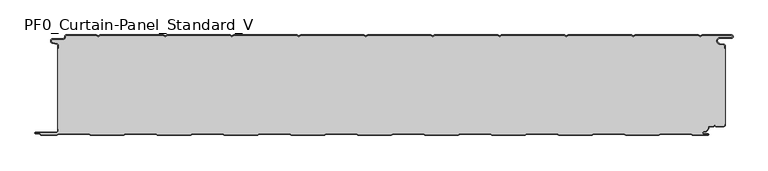
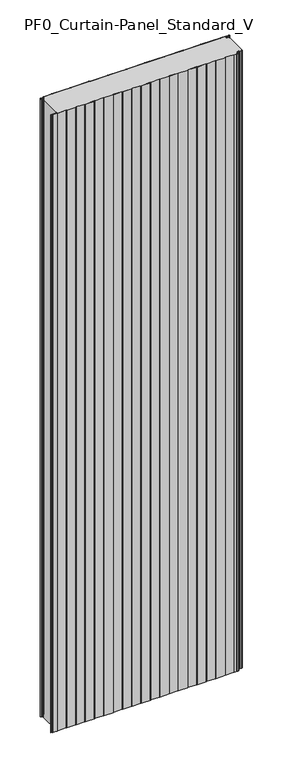
"""IFC4 building model written with IfcOpenShell, lengths in millimetres: plate geometry, PF0_Curtain-Panel_Standard_V."""

from ifc_helpers import new_model, si_unit, point, frame_2d, origin, origin_with_axes, place, context, project, spatial, polyline, circle_curve, trimmed, segment, composite_curve, outline, extrude, source, transform, mapped, element, save


def pf0_curtain_panel_standard_v_242ef166(model_context):
    return source(origin(), model_context, "Body", "SweptSolid", [
        extrude(outline(composite_curve([segment(trimmed(circle_curve(frame_2d((-502.0, -15.878557)), 2.0), [point((-500.0, -15.878557))], [point((-501.5500978, -13.9298169))], True, "CARTESIAN"), True, "CONTINUOUS"), segment(polyline([(-501.5500978, -13.9298169), (-507.7098239, -12.507732)]), True, "CONTINUOUS"), segment(trimmed(circle_curve(frame_2d((-506.9, -9.0)), 3.6), [point((-507.7098239, -12.507732))], [point((-506.9, -5.4))], False, "CARTESIAN"), True, "CONTINUOUS"), segment(polyline([(-506.9, -5.4), (-491.4, -5.4)]), True, "CONTINUOUS"), segment(trimmed(circle_curve(frame_2d((-491.4, -3.4)), 2.0), [point((-491.4, -5.4))], [point((-489.4, -3.4))], True, "CARTESIAN"), True, "CONTINUOUS"), segment(polyline([(-489.4, -3.4), (-489.4, -2.0)]), True, "CONTINUOUS"), segment(trimmed(circle_curve(frame_2d((-487.4, -2.0)), 2.0), [point((-489.4, -2.0))], [point((-487.4, 0.0))], False, "CARTESIAN"), True, "CONTINUOUS"), segment(polyline([(-487.4, 0.0), (-442.0999995, 0.0), (-439.4, -1.5588455), (-436.7000005, 0.0), (-342.0999995, 0.0), (-339.4, -1.5588455), (-336.7000005, 0.0), (-242.0999995, 0.0), (-239.4, -1.5588455), (-236.7000005, 0.0), (-142.0999995, 0.0), (-139.4, -1.5588455), (-136.7000005, 0.0), (-42.0999995, 0.0), (-39.4, -1.5588455), (-36.7000005, 0.0), (57.9000005, 0.0), (60.6, -1.5588455), (63.2999995, 0.0), (157.9000005, 0.0), (160.6, -1.5588455), (163.2999995, 0.0), (257.9000005, 0.0), (260.6, -1.5588455), (263.2999995, 0.0), (357.9000005, 0.0), (360.6, -1.5588455), (363.2999995, 0.0), (457.9000005, 0.0), (460.6, -1.5588455), (463.2999995, 0.0), (507.268846, 0.0)]), True, "CONTINUOUS"), segment(trimmed(circle_curve(frame_2d((507.268846, -2.5)), 2.5), [point((507.268846, 0.0))], [point((507.268846, -5.0))], False, "CARTESIAN"), True, "CONTINUOUS"), segment(polyline([(507.268846, -5.0), (490.268846, -5.0)]), True, "CONTINUOUS"), segment(trimmed(circle_curve(frame_2d((490.268846, -9.0)), 4.0), [point((490.268846, -5.0))], [point((489.574253, -12.939231))], True, "CARTESIAN"), True, "CONTINUOUS"), segment(polyline([(489.574253, -12.939231), (496.0203315, -14.0758491)]), True, "CONTINUOUS"), segment(trimmed(circle_curve(frame_2d((495.568846, -16.6363492)), 2.6), [point((496.0203315, -14.0758491))], [point((498.168846, -16.6363492))], False, "CARTESIAN"), True, "CONTINUOUS"), segment(polyline([(498.168846, -16.6363492), (498.168846, -20.0), (497.368846, -20.0), (497.368846, -16.6363492)]), True, "CONTINUOUS"), segment(trimmed(circle_curve(frame_2d((495.568846, -16.6363492)), 1.8), [point((497.368846, -16.6363492))], [point((495.8814129, -14.8636953))], True, "CARTESIAN"), True, "CONTINUOUS"), segment(polyline([(495.8814129, -14.8636953), (489.4353344, -13.7270772)]), True, "CONTINUOUS"), segment(trimmed(circle_curve(frame_2d((490.268846, -9.0)), 4.8), [point((489.4353344, -13.7270772))], [point((490.268846, -4.2))], False, "CARTESIAN"), True, "CONTINUOUS"), segment(polyline([(490.268846, -4.2), (507.268846, -4.2)]), True, "CONTINUOUS"), segment(trimmed(circle_curve(frame_2d((507.268846, -2.5)), 1.7), [point((507.268846, -4.2))], [point((507.268846, -0.8))], True, "CARTESIAN"), True, "CONTINUOUS"), segment(polyline([(507.268846, -0.8), (463.5143588, -0.8), (460.6, -2.482606), (457.6856412, -0.8), (363.5143588, -0.8), (360.6, -2.482606), (357.6856412, -0.8), (263.5143588, -0.8), (260.6, -2.482606), (257.6856412, -0.8), (163.5143588, -0.8), (160.6, -2.482606), (157.6856412, -0.8), (63.5143588, -0.8), (60.6, -2.482606), (57.6856412, -0.8), (-36.4856412, -0.8), (-39.4, -2.482606), (-42.3143588, -0.8), (-136.4856412, -0.8), (-139.4, -2.482606), (-142.3143588, -0.8), (-236.4856412, -0.8), (-239.4, -2.482606), (-242.3143588, -0.8), (-336.4856412, -0.8), (-339.4, -2.482606), (-342.3143588, -0.8), (-436.4856412, -0.8), (-439.4, -2.482606), (-442.3143588, -0.8), (-487.4, -0.8)]), True, "CONTINUOUS"), segment(trimmed(circle_curve(frame_2d((-487.4, -2.0)), 1.2), [point((-487.4, -0.8))], [point((-488.6, -2.0))], True, "CARTESIAN"), True, "CONTINUOUS"), segment(polyline([(-488.6, -2.0), (-488.6, -3.4)]), True, "CONTINUOUS"), segment(trimmed(circle_curve(frame_2d((-491.4, -3.4)), 2.8), [point((-488.6, -3.4))], [point((-491.4, -6.2))], False, "CARTESIAN"), True, "CONTINUOUS"), segment(polyline([(-491.4, -6.2), (-506.9, -6.2)]), True, "CONTINUOUS"), segment(trimmed(circle_curve(frame_2d((-506.9, -9.0)), 2.8), [point((-506.9, -6.2))], [point((-507.529863, -11.7282362))], True, "CARTESIAN"), True, "CONTINUOUS"), segment(polyline([(-507.529863, -11.7282362), (-501.370137, -13.150321)]), True, "CONTINUOUS"), segment(trimmed(circle_curve(frame_2d((-502.0, -15.878557)), 2.8), [point((-501.370137, -13.150321))], [point((-499.2, -15.878557))], False, "CARTESIAN"), True, "CONTINUOUS"), segment(polyline([(-499.2, -15.878557), (-499.2, -20.0), (-500.0, -20.0), (-500.0, -15.878557)]), True, "CONTINUOUS")], self_intersect=False)), origin_with_axes(), (0.0, 0.0, 1.0), 3500.0),
        extrude(outline(composite_curve([segment(polyline([(-499.2, -140.0), (-500.0, -140.0), (-500.0, -20.0), (-499.2, -20.0), (-499.2, -15.878557)]), True, "CONTINUOUS"), segment(trimmed(circle_curve(frame_2d((-502.0, -15.878557)), 2.8), [point((-499.2, -15.878557))], [point((-501.370137, -13.1503208))], True, "CARTESIAN"), True, "CONTINUOUS"), segment(polyline([(-501.370137, -13.1503208), (-507.529863, -11.7282362)]), True, "CONTINUOUS"), segment(trimmed(circle_curve(frame_2d((-506.9, -9.0)), 2.8), [point((-507.529863, -11.7282362))], [point((-506.9, -6.2))], False, "CARTESIAN"), True, "CONTINUOUS"), segment(polyline([(-506.9, -6.2), (-491.4, -6.2)]), True, "CONTINUOUS"), segment(trimmed(circle_curve(frame_2d((-491.4, -3.4)), 2.8), [point((-491.4, -6.2))], [point((-488.6, -3.4))], True, "CARTESIAN"), True, "CONTINUOUS"), segment(polyline([(-488.6, -3.4), (-488.6, -2.0)]), True, "CONTINUOUS"), segment(trimmed(circle_curve(frame_2d((-487.4, -2.0)), 1.2), [point((-488.6, -2.0))], [point((-487.4, -0.8))], False, "CARTESIAN"), True, "CONTINUOUS"), segment(polyline([(-487.4, -0.8), (-442.3143588, -0.8), (-439.4, -2.482606), (-436.4856412, -0.8), (-342.3143588, -0.8), (-339.4, -2.482606), (-336.4856412, -0.8), (-242.3143588, -0.8), (-239.4, -2.482606), (-236.4856412, -0.8), (-142.3143588, -0.8), (-139.4, -2.482606), (-136.4856412, -0.8), (-42.3143588, -0.8), (-39.4, -2.482606), (-36.4856412, -0.8), (57.6856412, -0.8), (60.6, -2.482606), (63.5143588, -0.8), (157.6856412, -0.8), (160.6, -2.482606), (163.5143588, -0.8), (257.6856412, -0.8), (260.6, -2.482606), (263.5143588, -0.8), (357.6856412, -0.8), (360.6, -2.482606), (363.5143588, -0.8), (457.6856412, -0.8), (460.6, -2.482606), (463.5143588, -0.8), (507.268846, -0.8)]), True, "CONTINUOUS"), segment(trimmed(circle_curve(frame_2d((507.268846, -2.5)), 1.7), [point((507.268846, -0.8))], [point((507.268846, -4.2))], False, "CARTESIAN"), True, "CONTINUOUS"), segment(polyline([(507.268846, -4.2), (490.268846, -4.2)]), True, "CONTINUOUS"), segment(trimmed(circle_curve(frame_2d((490.268846, -9.0)), 4.8), [point((490.268846, -4.2))], [point((489.4353344, -13.7270772))], True, "CARTESIAN"), True, "CONTINUOUS"), segment(polyline([(489.4353344, -13.7270772), (495.8814129, -14.8636953)]), True, "CONTINUOUS"), segment(trimmed(circle_curve(frame_2d((495.568846, -16.6363492)), 1.8), [point((495.8814129, -14.8636953))], [point((497.368846, -16.6363492))], False, "CARTESIAN"), True, "CONTINUOUS"), segment(polyline([(497.368846, -16.6363492), (497.368846, -20.0), (498.168846, -20.0), (498.168846, -133.0), (497.368846, -133.0), (497.368846, -134.4)]), True, "CONTINUOUS"), segment(trimmed(circle_curve(frame_2d((495.568846, -134.4)), 1.8), [point((497.368846, -134.4))], [point((495.568846, -136.2))], False, "CARTESIAN"), True, "CONTINUOUS"), segment(polyline([(495.568846, -136.2), (484.0002158, -136.2), (482.168846, -134.3686285), (480.3374762, -136.2), (474.168846, -136.2)]), True, "CONTINUOUS"), segment(trimmed(circle_curve(frame_2d((474.168846, -138.0)), 1.8), [point((474.168846, -136.2))], [point((472.368846, -138.0))], True, "CARTESIAN"), True, "CONTINUOUS"), segment(polyline([(472.368846, -138.0), (472.368846, -138.8276204)]), True, "CONTINUOUS"), segment(trimmed(circle_curve(frame_2d((466.9964664, -138.8276204)), 5.3723796), [point((472.368846, -138.8276204))], [point((466.9964664, -144.2))], False, "CARTESIAN"), True, "CONTINUOUS"), segment(polyline([(466.9964664, -144.2), (466.168846, -144.2)]), True, "CONTINUOUS"), segment(trimmed(circle_curve(frame_2d((466.168846, -146.4)), 2.2), [point((466.168846, -144.2))], [point((466.168846, -148.6))], True, "CARTESIAN"), True, "CONTINUOUS"), segment(polyline([(466.168846, -148.6), (472.0579973, -148.6)]), True, "CONTINUOUS"), segment(trimmed(circle_curve(frame_2d((472.0579973, -148.9)), 0.3), [point((472.0579973, -148.6))], [point((472.0579973, -149.2))], False, "CARTESIAN"), True, "CONTINUOUS"), segment(polyline([(472.0579973, -149.2), (449.2152562, -149.2), (446.6171786, -147.7), (401.3884624, -147.7), (398.7903848, -149.2), (349.2152562, -149.2), (346.6171786, -147.7), (301.3884624, -147.7), (298.7903848, -149.2), (249.2152562, -149.2), (246.6171786, -147.7), (201.3884624, -147.7), (198.7903848, -149.2), (149.2152562, -149.2), (146.6171786, -147.7), (101.3884624, -147.7), (98.7903848, -149.2), (49.2152562, -149.2), (46.6171786, -147.7), (1.3884624, -147.7), (-1.2096152, -149.2), (-50.7847438, -149.2), (-53.3828214, -147.7), (-98.6115376, -147.7), (-101.2096152, -149.2), (-150.7847438, -149.2), (-153.3828214, -147.7), (-198.6115376, -147.7), (-201.2096152, -149.2), (-250.7847438, -149.2), (-253.3828214, -147.7), (-298.6115376, -147.7), (-301.2096152, -149.2), (-350.7847438, -149.2), (-353.3828214, -147.7), (-398.6115376, -147.7), (-401.2096152, -149.2), (-450.7847438, -149.2), (-453.3828214, -147.7), (-498.6115376, -147.7), (-501.2096152, -149.2), (-524.4, -149.2)]), True, "CONTINUOUS"), segment(trimmed(circle_curve(frame_2d((-524.4, -148.4)), 0.8), [point((-524.4, -149.2))], [point((-525.2, -148.4))], False, "CARTESIAN"), True, "CONTINUOUS"), segment(trimmed(circle_curve(frame_2d((-526.9, -148.6133333)), 1.7133333), [point((-525.2, -148.4))], [point((-526.9, -146.9))], True, "CARTESIAN"), True, "CONTINUOUS"), segment(polyline([(-526.9, -146.9), (-532.8700312, -146.9)]), True, "CONTINUOUS"), segment(trimmed(circle_curve(frame_2d((-532.8700312, -146.6)), 0.3), [point((-532.8700312, -146.9))], [point((-532.8700312, -146.3))], False, "CARTESIAN"), True, "CONTINUOUS"), segment(polyline([(-532.8700312, -146.3), (-502.0, -146.3)]), True, "CONTINUOUS"), segment(trimmed(circle_curve(frame_2d((-502.0, -143.5)), 2.8), [point((-502.0, -146.3))], [point((-499.2, -143.5))], True, "CARTESIAN"), True, "CONTINUOUS"), segment(polyline([(-499.2, -143.5), (-499.2, -140.0)]), True, "CONTINUOUS")], self_intersect=False)), origin_with_axes(), (0.0, 0.0, 1.0), 3500.0),
        extrude(outline(composite_curve([segment(polyline([(-500.0, -140.0), (-499.2, -140.0), (-499.2, -143.5)]), True, "CONTINUOUS"), segment(trimmed(circle_curve(frame_2d((-502.0, -143.5)), 2.8), [point((-499.2, -143.5))], [point((-502.0, -146.3))], False, "CARTESIAN"), True, "CONTINUOUS"), segment(polyline([(-502.0, -146.3), (-532.8700312, -146.3)]), True, "CONTINUOUS"), segment(trimmed(circle_curve(frame_2d((-532.8700312, -146.6)), 0.3), [point((-532.8700312, -146.3))], [point((-532.8700312, -146.9))], True, "CARTESIAN"), True, "CONTINUOUS"), segment(polyline([(-532.8700312, -146.9), (-526.9, -146.9)]), True, "CONTINUOUS"), segment(trimmed(circle_curve(frame_2d((-526.9, -148.6133333)), 1.7133333), [point((-526.9, -146.9))], [point((-525.2, -148.4))], False, "CARTESIAN"), True, "CONTINUOUS"), segment(trimmed(circle_curve(frame_2d((-524.4, -148.4)), 0.8), [point((-525.2, -148.4))], [point((-524.4, -149.2))], True, "CARTESIAN"), True, "CONTINUOUS"), segment(polyline([(-524.4, -149.2), (-501.2096152, -149.2), (-498.6115376, -147.7), (-453.3828214, -147.7), (-450.7847438, -149.2), (-401.2096152, -149.2), (-398.6115376, -147.7), (-353.3828214, -147.7), (-350.7847438, -149.2), (-301.2096152, -149.2), (-298.6115376, -147.7), (-253.3828214, -147.7), (-250.7847438, -149.2), (-201.2096152, -149.2), (-198.6115376, -147.7), (-153.3828214, -147.7), (-150.7847438, -149.2), (-101.2096152, -149.2), (-98.6115376, -147.7), (-53.3828214, -147.7), (-50.7847438, -149.2), (-1.2096152, -149.2), (1.3884624, -147.7), (46.6171786, -147.7), (49.2152562, -149.2), (98.7903848, -149.2), (101.3884624, -147.7), (146.6171786, -147.7), (149.2152562, -149.2), (198.7903848, -149.2), (201.3884624, -147.7), (246.6171786, -147.7), (249.2152562, -149.2), (298.7903848, -149.2), (301.3884624, -147.7), (346.6171786, -147.7), (349.2152562, -149.2), (398.7903848, -149.2), (401.3884624, -147.7), (446.6171786, -147.7), (449.2152562, -149.2), (472.0579973, -149.2)]), True, "CONTINUOUS"), segment(trimmed(circle_curve(frame_2d((472.0579973, -148.9)), 0.3), [point((472.0579973, -149.2))], [point((472.0579973, -148.6))], True, "CARTESIAN"), True, "CONTINUOUS"), segment(polyline([(472.0579973, -148.6), (466.168846, -148.6)]), True, "CONTINUOUS"), segment(trimmed(circle_curve(frame_2d((466.168846, -146.4)), 2.2), [point((466.168846, -148.6))], [point((466.168846, -144.2))], False, "CARTESIAN"), True, "CONTINUOUS"), segment(polyline([(466.168846, -144.2), (466.9964664, -144.2)]), True, "CONTINUOUS"), segment(trimmed(circle_curve(frame_2d((466.9964664, -138.8276204)), 5.3723796), [point((466.9964664, -144.2))], [point((472.368846, -138.8276204))], True, "CARTESIAN"), True, "CONTINUOUS"), segment(polyline([(472.368846, -138.8276204), (472.368846, -138.0)]), True, "CONTINUOUS"), segment(trimmed(circle_curve(frame_2d((474.168846, -138.0)), 1.8), [point((472.368846, -138.0))], [point((474.168846, -136.2))], False, "CARTESIAN"), True, "CONTINUOUS"), segment(polyline([(474.168846, -136.2), (480.3374762, -136.2), (482.168846, -134.3686285), (484.0002158, -136.2), (495.568846, -136.2)]), True, "CONTINUOUS"), segment(trimmed(circle_curve(frame_2d((495.568846, -134.4)), 1.8), [point((495.568846, -136.2))], [point((497.368846, -134.4))], True, "CARTESIAN"), True, "CONTINUOUS"), segment(polyline([(497.368846, -134.4), (497.368846, -133.0), (498.168846, -133.0), (498.168846, -134.4)]), True, "CONTINUOUS"), segment(trimmed(circle_curve(frame_2d((495.568846, -134.4)), 2.6), [point((498.168846, -134.4))], [point((495.568846, -137.0))], False, "CARTESIAN"), True, "CONTINUOUS"), segment(polyline([(495.568846, -137.0), (483.6688448, -137.0), (482.168846, -135.4999999), (480.6688472, -137.0), (474.168846, -137.0)]), True, "CONTINUOUS"), segment(trimmed(circle_curve(frame_2d((474.168846, -138.0)), 1.0), [point((474.168846, -137.0))], [point((473.168846, -138.0))], True, "CARTESIAN"), True, "CONTINUOUS"), segment(polyline([(473.168846, -138.0), (473.168846, -138.8276204)]), True, "CONTINUOUS"), segment(trimmed(circle_curve(frame_2d((466.9964664, -138.8276204)), 6.1723796), [point((473.168846, -138.8276204))], [point((466.9964664, -145.0))], False, "CARTESIAN"), True, "CONTINUOUS"), segment(polyline([(466.9964664, -145.0), (466.168846, -145.0)]), True, "CONTINUOUS"), segment(trimmed(circle_curve(frame_2d((466.168846, -146.5)), 1.5), [point((466.168846, -145.0))], [point((466.168846, -148.0))], True, "CARTESIAN"), True, "CONTINUOUS"), segment(polyline([(466.168846, -148.0), (472.168846, -148.0)]), True, "CONTINUOUS"), segment(trimmed(circle_curve(frame_2d((472.168846, -149.0)), 1.0), [point((472.168846, -148.0))], [point((472.168846, -150.0))], False, "CARTESIAN"), True, "CONTINUOUS"), segment(polyline([(472.168846, -150.0), (449.0008969, -150.0), (446.4028193, -148.5), (401.6028217, -148.5), (399.0047441, -150.0), (349.0008969, -150.0), (346.4028193, -148.5), (301.6028217, -148.5), (299.0047441, -150.0), (249.0008969, -150.0), (246.4028193, -148.5), (201.6028217, -148.5), (199.0047441, -150.0), (149.0008969, -150.0), (146.4028193, -148.5), (101.6028217, -148.5), (99.0047441, -150.0), (49.0008969, -150.0), (46.4028193, -148.5), (1.6028217, -148.5), (-0.9952559, -150.0), (-50.9991031, -150.0), (-53.5971807, -148.5), (-98.3971783, -148.5), (-100.9952559, -150.0), (-150.9991031, -150.0), (-153.5971807, -148.5), (-198.3971783, -148.5), (-200.9952559, -150.0), (-250.9991031, -150.0), (-253.5971807, -148.5), (-298.3971783, -148.5), (-300.9952559, -150.0), (-350.9991031, -150.0), (-353.5971807, -148.5), (-398.3971783, -148.5), (-400.9952559, -150.0), (-450.9991031, -150.0), (-453.5971807, -148.5), (-498.3971783, -148.5), (-500.9952559, -150.0), (-524.4, -150.0)]), True, "CONTINUOUS"), segment(trimmed(circle_curve(frame_2d((-524.4, -148.4)), 1.6), [point((-524.4, -150.0))], [point((-526.0, -148.4))], False, "CARTESIAN"), True, "CONTINUOUS"), segment(trimmed(circle_curve(frame_2d((-526.9, -148.4)), 0.9), [point((-526.0, -148.4))], [point((-526.9, -147.5))], True, "CARTESIAN"), True, "CONTINUOUS"), segment(polyline([(-526.9, -147.5), (-533.0, -147.5)]), True, "CONTINUOUS"), segment(trimmed(circle_curve(frame_2d((-533.0, -146.5)), 1.0), [point((-533.0, -147.5))], [point((-533.0, -145.5))], False, "CARTESIAN"), True, "CONTINUOUS"), segment(polyline([(-533.0, -145.5), (-502.0, -145.5)]), True, "CONTINUOUS"), segment(trimmed(circle_curve(frame_2d((-502.0, -143.5)), 2.0), [point((-502.0, -145.5))], [point((-500.0, -143.5))], True, "CARTESIAN"), True, "CONTINUOUS"), segment(polyline([(-500.0, -143.5), (-500.0, -140.0)]), True, "CONTINUOUS")], self_intersect=False)), origin_with_axes(), (0.0, 0.0, 1.0), 3500.0),
    ])


if __name__ == "__main__":
    model = new_model("IFC4")
    model_context = context("Model", 3, world=origin())
    ifc_project = project(units=[si_unit("LENGTHUNIT", "METRE", prefix="MILLI")], contexts=[model_context])
    site = spatial("IfcSite", under=ifc_project)
    building = spatial("IfcBuilding", under=site)
    placement = place(None, origin())
    pf0_curtain_panel_standard_v_shape = pf0_curtain_panel_standard_v_242ef166(model_context)
    element("IfcPlate", 1, ObjectType="PF0_Curtain-Panel_Standard_V", at=placement, inside=building, context=model_context, shape_type="MappedRepresentation", body=[
        mapped(pf0_curtain_panel_standard_v_shape, transform((0.0, 0.0, 0.0), x_axis=(1.0, 0.0, 0.0), y_axis=(0.0, 1.0, 0.0), z_axis=(0.0, 0.0, 1.0))),
    ])
    save(model, "model.ifc")
